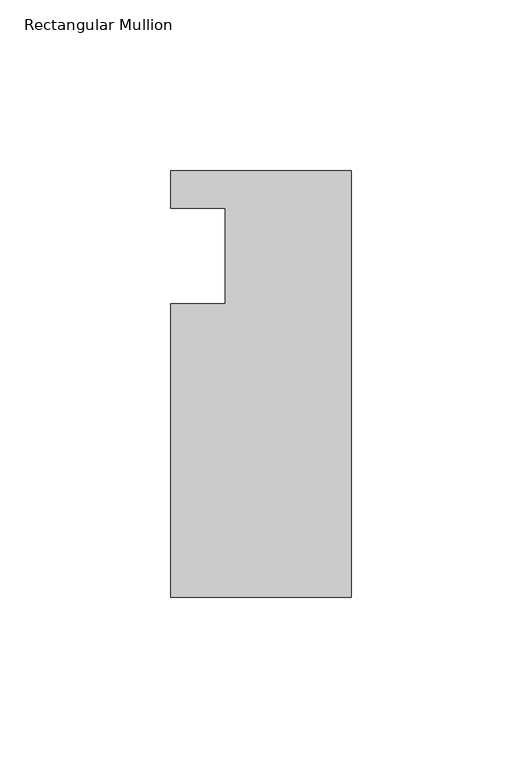
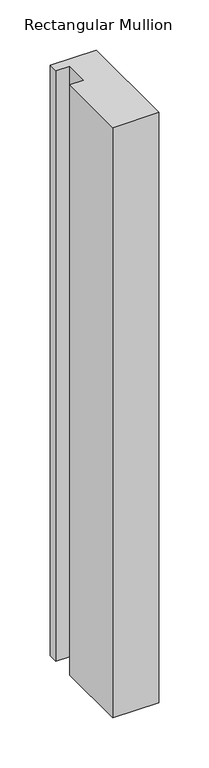
"""IFC4 building model written with IfcOpenShell, lengths in millimetres: member geometry, Rectangular Mullion."""

import ifcopenshell
import ifcopenshell.guid

model = None  # the IFC model being written
_history = None  # IfcOwnerHistory: only IFC2X3 demands one
_inside = {}  # id of a spatial element -> (the spatial element, [elements in it])
_under = {}  # id of a project, library or spatial element -> (it, [spatial elements below it])
_declared = {}  # id of a project -> (the project, [libraries it declares])
_typed = {}  # id of a type object -> (the type object, [elements of that type])
_made_of = {}  # id of a material, layer set ... -> (it, [elements and type objects made of it])


def new_model(schema):
    """Start an empty IFC model of exactly this schema.

    Asked for "IFC4X3", IfcOpenShell would pick the latest addendum, in which some entities
    have other attributes; the version numbers below select the first issue.
    IFC2X3 requires an IfcOwnerHistory on every rooted entity: one is made here for all.
    """
    global model, _history
    if schema == "IFC4X3":
        model = ifcopenshell.file(schema_version=(4, 3, 0, 0))
    else:
        model = ifcopenshell.file(schema=schema)
    _inside.clear()
    _under.clear()
    _declared.clear()
    _typed.clear()
    _made_of.clear()
    _history = None
    if model.schema == "IFC2X3":
        org = make("IfcOrganization", Name="unknown")
        user = make(
            "IfcPersonAndOrganization",
            ThePerson=make("IfcPerson", FamilyName="unknown"),
            TheOrganization=org,
        )
        app = make(
            "IfcApplication",
            ApplicationDeveloper=org,
            Version="unknown",
            ApplicationFullName="unknown",
            ApplicationIdentifier="unknown",
        )
        _history = make(
            "IfcOwnerHistory",
            OwningUser=user,
            OwningApplication=app,
            ChangeAction="ADDED",
            CreationDate=0,
        )
    return model


def make(cls, **values):
    """One entity of the class cls with the attributes given. An attribute that is None is left unset."""
    return model.create_entity(
        cls, **{name: value for name, value in values.items() if value is not None}
    )


def rooted(cls, **values):
    """An entity with a GlobalId (a new one), such as an element, a storey or a relation."""
    return make(cls, GlobalId=ifcopenshell.guid.new(), OwnerHistory=_history, **values)


def si_unit(unit_type, name, prefix=None):
    """IfcSIUnit, for example si_unit("LENGTHUNIT", "METRE", prefix="MILLI")."""
    return make("IfcSIUnit", UnitType=unit_type, Prefix=prefix, Name=name)


def assignment(units):
    """IfcUnitAssignment: the units of a project."""
    return None if units is None else make("IfcUnitAssignment", Units=units)


def point(xyz):
    """IfcCartesianPoint."""
    return None if xyz is None else make("IfcCartesianPoint", Coordinates=xyz)


def direction(xyz):
    """IfcDirection."""
    return None if xyz is None else make("IfcDirection", DirectionRatios=xyz)


def frame(location, z_axis=None, x_axis=None):
    """IfcAxis2Placement3D, a coordinate frame: its origin and axes. An axis left out is left unset."""
    return make(
        "IfcAxis2Placement3D",
        Location=point(location),
        Axis=direction(z_axis),
        RefDirection=direction(x_axis),
    )


def origin():
    """The frame at (0, 0, 0) with its axes left unset."""
    return frame((0.0, 0.0, 0.0))


def place(relative_to, where):
    """IfcLocalPlacement: puts the frame where relative to a parent placement (None: the world)."""
    return make(
        "IfcLocalPlacement", PlacementRelTo=relative_to, RelativePlacement=where
    )


def context(
    kind, dimensions, precision=None, world=None, true_north=None, identifier=None
):
    """IfcGeometricRepresentationContext, for example the 3D "Model" context."""
    return make(
        "IfcGeometricRepresentationContext",
        ContextIdentifier=identifier,
        ContextType=kind,
        CoordinateSpaceDimension=dimensions,
        Precision=precision,
        WorldCoordinateSystem=world,
        TrueNorth=true_north,
    )


def project(units=None, contexts=None):
    """IfcProject with its units and contexts."""
    return rooted(
        "IfcProject",
        Name="project",
        RepresentationContexts=contexts,
        UnitsInContext=assignment(units),
    )


def spatial(cls, under=None, at=None, **own):
    """A site, building, storey or space (cls), placed at a placement, below another one or the project."""
    s = rooted(cls, ObjectPlacement=at, **own)
    if under is not None:
        _under.setdefault(under.id(), (under, []))[1].append(s)
    return s


def polyline(points):
    """IfcPolyline through the points."""
    return make("IfcPolyline", Points=[point(p) for p in points])


def outline(outer, holes=None, kind="AREA"):
    """IfcArbitraryClosedProfileDef: a profile drawn as a closed curve; with holes, ...WithVoids."""
    if holes is None:
        return make("IfcArbitraryClosedProfileDef", ProfileType=kind, OuterCurve=outer)
    return make(
        "IfcArbitraryProfileDefWithVoids",
        ProfileType=kind,
        OuterCurve=outer,
        InnerCurves=holes,
    )


def extrude(swept, where, along, depth):
    """IfcExtrudedAreaSolid: the profile swept, set in the frame where, extruded along a direction by depth."""
    return make(
        "IfcExtrudedAreaSolid",
        SweptArea=swept,
        Position=where,
        ExtrudedDirection=direction(along),
        Depth=depth,
    )


def shape(context_of_items, identifier, shape_type, items):
    """IfcShapeRepresentation: the items that make up one representation, for example the "Body"."""
    return make(
        "IfcShapeRepresentation",
        ContextOfItems=context_of_items,
        RepresentationIdentifier=identifier,
        RepresentationType=shape_type,
        Items=items,
    )


def source(mapping_origin, context_of_items, identifier, shape_type, items):
    """IfcRepresentationMap: a shape defined once, which mapped items show again and again."""
    return make(
        "IfcRepresentationMap",
        MappingOrigin=mapping_origin,
        MappedRepresentation=shape(context_of_items, identifier, shape_type, items),
    )


def transform(
    local_origin,
    x_axis=None,
    y_axis=None,
    z_axis=None,
    scale=None,
    scale2=None,
    scale3=None,
    uniform=True,
):
    """IfcCartesianTransformationOperator3D, or its non-uniform kind. x_axis, y_axis, z_axis: its Axis1, 2, 3."""
    if uniform:
        return make(
            "IfcCartesianTransformationOperator3D",
            Axis1=direction(x_axis),
            Axis2=direction(y_axis),
            LocalOrigin=point(local_origin),
            Scale=scale,
            Axis3=direction(z_axis),
        )
    return make(
        "IfcCartesianTransformationOperator3DnonUniform",
        Axis1=direction(x_axis),
        Axis2=direction(y_axis),
        LocalOrigin=point(local_origin),
        Scale=scale,
        Axis3=direction(z_axis),
        Scale2=scale2,
        Scale3=scale3,
    )


def mapped(mapping_source, mapping_target):
    """IfcMappedItem: shows the shape of a source again, moved by a transform."""
    return make(
        "IfcMappedItem", MappingSource=mapping_source, MappingTarget=mapping_target
    )


def made_of(thing, what):
    """Note that an element or type object is made of a material, layer set ...; save() writes the relation."""
    if what is not None:
        _made_of.setdefault(what.id(), (what, []))[1].append(thing)
    return thing


def element(
    cls,
    number,
    at=None,
    inside=None,
    cuts=None,
    type_object=None,
    material=None,
    context=None,
    identifier="Body",
    shape_type=None,
    held_by="IfcProductDefinitionShape",
    body=None,
    shapes=None,
    **own,
):
    """One element of the class cls, such as IfcWall. Its Tag is "e" and its number.

    at: its placement. inside: the storey or other place that contains it. cuts: it is an
    opening in that element (IfcRelVoidsElement). A single representation is given by context,
    identifier, shape_type and body (its items); several are given by shapes. held_by: the class
    of the entity that holds the representations. save() writes the other relations.
    """
    e = rooted(cls, Tag="e%d" % number, ObjectPlacement=at, **own)
    if body is not None:
        shapes = [shape(context, identifier, shape_type, body)]
    if shapes is not None:
        e.Representation = make(held_by, Representations=shapes)
    if inside is not None:
        _inside.setdefault(inside.id(), (inside, []))[1].append(e)
    if cuts is not None:
        rooted(
            "IfcRelVoidsElement", RelatingBuildingElement=cuts, RelatedOpeningElement=e
        )
    if type_object is not None:
        _typed.setdefault(type_object.id(), (type_object, []))[1].append(e)
    return made_of(e, material)


def aggregate(whole, parts):
    """IfcRelAggregates: a whole, such as a stair, and the parts it consists of."""
    return rooted("IfcRelAggregates", RelatingObject=whole, RelatedObjects=parts)


def save(model, path):
    """Write the relations noted so far, then the file.

    IfcRelAggregates (storeys below a building ...), IfcRelContainedInSpatialStructure (elements
    in a storey), IfcRelDefinesByType, IfcRelAssociatesMaterial and IfcRelDeclares: one each for
    every whole, place, type object, material and project.
    """
    for whole, parts in _under.values():
        aggregate(whole, parts)
    for where, things in _inside.values():
        rooted(
            "IfcRelContainedInSpatialStructure",
            RelatedElements=things,
            RelatingStructure=where,
        )
    for kind, things in _typed.values():
        rooted("IfcRelDefinesByType", RelatedObjects=things, RelatingType=kind)
    for what, things in _made_of.values():
        rooted("IfcRelAssociatesMaterial", RelatedObjects=things, RelatingMaterial=what)
    for by, libraries in _declared.values():
        rooted("IfcRelDeclares", RelatingContext=by, RelatedDefinitions=libraries)
    model.write(path)


def rectangular_mullion_3b01b3c4(model_context):
    return source(origin(), model_context, "Body", "SweptSolid", [
        extrude(outline(polyline([(0.0, 25.0), (0.0, -100.0), (-53.0, -100.0), (-53.0, -13.9998907), (-37.0, -13.9998907), (-37.0, 14.0), (-53.0, 14.0), (-53.0, 25.0), (0.0, 25.0)])), frame((0.0, 0.0, -718.9800745), z_axis=(0.0, 0.0, 1.0), x_axis=(1.0, 0.0, 0.0)), (0.0, 0.0, 1.0), 718.9800745),
    ])


if __name__ == "__main__":
    model = new_model("IFC4")
    model_context = context("Model", 3, world=origin())
    ifc_project = project(units=[si_unit("LENGTHUNIT", "METRE", prefix="MILLI")], contexts=[model_context])
    site = spatial("IfcSite", under=ifc_project)
    building = spatial("IfcBuilding", under=site)
    placement = place(None, origin())
    rectangular_mullion_shape = rectangular_mullion_3b01b3c4(model_context)
    element("IfcMember", 1, ObjectType="Rectangular Mullion", at=placement, inside=building, context=model_context, shape_type="MappedRepresentation", body=[
        mapped(rectangular_mullion_shape, transform((0.0, 0.0, 0.0), x_axis=(1.0, 0.0, 0.0), y_axis=(0.0, 1.0, 0.0), z_axis=(0.0, 0.0, 1.0))),
    ])
    save(model, "model.ifc")
